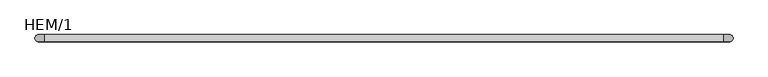
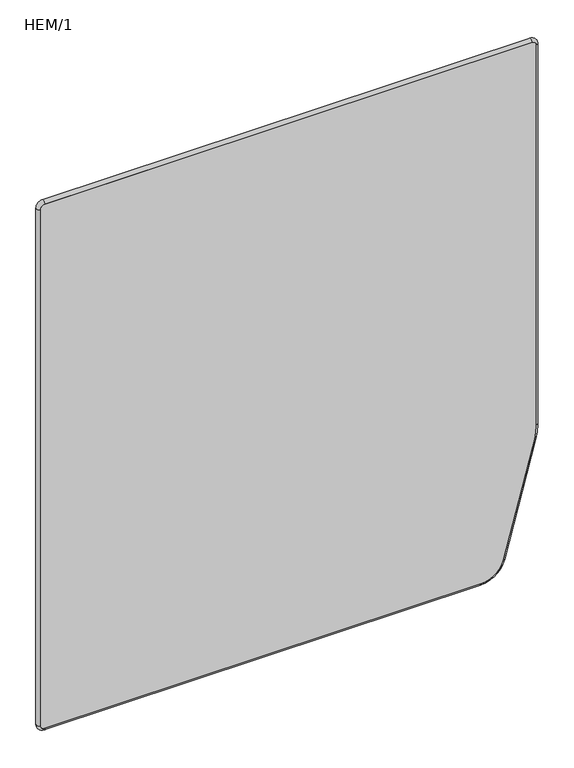
"""IFC4 building model written with IfcOpenShell, lengths in millimetres: furniture geometry, HEM/1."""

from ifc_helpers import new_model, si_unit, point, frame, frame_2d, origin, place, context, project, spatial, polyline, circle_curve, ellipse_curve, trimmed, segment, composite_curve, outline, extrude, source, transform, mapped, element, save
from ifc_brep_helpers import plane_surface, cylinder_surface, revolved_surface, advanced_brep


def hem_1_c6440265(model_context):
    return source(origin(), model_context, "Body", "SolidModel", [
        advanced_brep(
        [(-1485.4508983, 0.0, 1299.6639468), (-1485.4508983, -12.0, 1299.6639468), (-1475.4508983, -12.0, 1309.6639468), (-1475.4508983, 0.0, 1309.6639468), (-1485.4508983, 0.0, 14.527165), (-1485.4508983, -12.0, 14.527165), (-1475.4508983, 0.0, 4.527165), (-1475.4508983, -12.0, 4.527165), (-447.5918307, 0.0, 4.527165), (-447.5918307, -12.0, 4.527165), (-394.4659102, 0.0, 45.2921175), (-394.4659102, -12.0, 45.2921175), (-320.8805409, 0.0, 319.9164544), (-320.8805409, -12.0, 319.9164544), (-316.4508983, 0.0, 353.5629303), (-316.4508983, -12.0, 353.5629303), (-316.4508983, 0.0, 1299.6639468), (-316.4508983, -12.0, 1299.6639468), (-326.4508983, 0.0, 1309.6639468), (-326.4508983, -12.0, 1309.6639468)],
        [
            (0, 1, circle_curve(frame((-1485.4508983, -6.0, 1299.6639468), z_axis=(0.0, 0.0, 1.0), x_axis=(0.0, 1.0, 0.0)), 6.0)),
            (1, 2, circle_curve(frame((-1475.4508983, -12.0, 1299.6639468), z_axis=(0.0, 1.0, 0.0), x_axis=(0.0, 0.0, 1.0)), 10.0)),
            (2, 3, circle_curve(frame((-1475.4508983, -6.0, 1309.6639468), z_axis=(-1.0, 0.0, 0.0), x_axis=(0.0, 1.0, 0.0)), 6.0)),
            (3, 0, circle_curve(frame((-1475.4508983, 0.0, 1299.6639468), z_axis=(0.0, -1.0, 0.0), x_axis=(0.0, 0.0, 1.0)), 10.0)),
            (1, 0),
            (3, 2),
            (0, 4),
            (4, 5, circle_curve(frame((-1485.4508983, -6.0, 14.527165), z_axis=(0.0, 0.0, 1.0), x_axis=(0.0, 1.0, 0.0)), 6.0)),
            (5, 1),
            (5, 4),
            (6, 7, circle_curve(frame((-1475.4508983, -6.0, 4.527165), z_axis=(-1.0, 0.0, 0.0), x_axis=(0.0, 1.0, 0.0)), 6.0)),
            (7, 5, circle_curve(frame((-1475.4508983, -12.0, 14.527165), z_axis=(0.0, 1.0, 0.0), x_axis=(-1.0, 0.0, 0.0)), 10.0)),
            (4, 6, circle_curve(frame((-1475.4508983, 0.0, 14.527165), z_axis=(0.0, -1.0, 0.0), x_axis=(-1.0, 0.0, 0.0)), 10.0)),
            (7, 6),
            (6, 8),
            (8, 9, circle_curve(frame((-447.5918307, -6.0, 4.527165), z_axis=(-1.0, 0.0, 0.0), x_axis=(0.0, 1.0, 0.0)), 6.0)),
            (9, 7),
            (9, 8),
            (10, 11, circle_curve(frame((-394.4659102, -6.0, 45.2921175), z_axis=(-0.2588190451025264, 0.0, -0.9659258262890668), x_axis=(0.0, 1.0, 0.0)), 6.0)),
            (11, 9, circle_curve(frame((-447.5918307, -12.0, 59.527165), z_axis=(0.0, 1.0, 0.0), x_axis=(0.0, 0.0, -1.0)), 55.0)),
            (8, 10, circle_curve(frame((-447.5918307, 0.0, 59.527165), z_axis=(0.0, -1.0, 0.0), x_axis=(0.0, 0.0, -1.0)), 55.0)),
            (11, 10),
            (10, 12),
            (12, 13, circle_curve(frame((-320.8805409, -6.0, 319.9164544), z_axis=(-0.25881904510252196, 0.0, -0.965925826289068), x_axis=(0.0, 1.0, 0.0)), 6.0)),
            (13, 11),
            (13, 12),
            (14, 15, circle_curve(frame((-316.4508983, -6.0, 353.5629303), z_axis=(0.0, 0.0, -0.9999999999999999), x_axis=(0.0, 1.0, 0.0)), 6.0)),
            (15, 13, circle_curve(frame((-446.4508983, -12.0, 353.5629303), z_axis=(0.0, 1.0, 0.0), x_axis=(0.9659258262890662, 0.0, -0.2588190451025284)), 130.0)),
            (12, 14, circle_curve(frame((-446.4508983, 0.0, 353.5629303), z_axis=(0.0, -1.0, 0.0), x_axis=(0.9659258262890662, 0.0, -0.2588190451025284)), 130.0)),
            (15, 14),
            (14, 16),
            (16, 17, circle_curve(frame((-316.4508983, -6.0, 1299.6639468), z_axis=(0.0, 0.0, -1.0), x_axis=(0.0, 1.0, 0.0)), 6.0)),
            (17, 15),
            (17, 16),
            (18, 19, circle_curve(frame((-326.4508983, -6.0, 1309.6639468), z_axis=(1.0, 0.0, 0.0), x_axis=(0.0, 1.0, 0.0)), 6.0)),
            (19, 17, circle_curve(frame((-326.4508983, -12.0, 1299.6639468), z_axis=(0.0, 1.0, 0.0), x_axis=(1.0, 0.0, 0.0)), 10.0)),
            (16, 18, circle_curve(frame((-326.4508983, 0.0, 1299.6639468), z_axis=(0.0, -1.0, 0.0), x_axis=(1.0, 0.0, 0.0)), 10.0)),
            (19, 18),
            (18, 3),
            (2, 19),
        ],
        [
            revolved_surface(trimmed(ellipse_curve(frame((-1475.4508983, -6.0, 1309.6639468), z_axis=(-1.0, 0.0, 0.0), x_axis=(0.0, 1.0, 0.0)), 6.0, 6.0), [point((-1475.4508983, -12.0, 1309.6639468))], [point((-1475.4508983, 0.0, 1309.6639468))], True, "CARTESIAN"), (-1475.4508983, 0.0, 1299.6639468), (0.0, 1.0, 0.0)),
            revolved_surface(polyline([(-1475.4508983, 0.0, 1309.6639468), (-1475.4508983, -12.0, 1309.6639468)]), (-1475.4508983, 0.0, 1299.6639468), (0.0, 1.0, 0.0)),
            cylinder_surface(frame((-1485.4508983, -6.0, 1299.6639468), z_axis=(0.0, 0.0, 1.0), x_axis=(0.0, 1.0, 0.0)), 6.0),
            plane_surface(frame((-1485.4508983, 0.0, 1299.6639468), z_axis=(1.0, 0.0, 0.0), x_axis=(0.0, 0.0, -1.0))),
            revolved_surface(trimmed(ellipse_curve(frame((-1485.4508983, -6.0, 14.527165), z_axis=(0.0, 0.0, -1.0), x_axis=(0.0, 1.0, 0.0)), 6.0, 6.0), [point((-1485.4508983, -12.0, 14.527165))], [point((-1485.4508983, 0.0, 14.527165))], True, "CARTESIAN"), (-1475.4508983, 0.0, 14.527165), (0.0, 1.0, 0.0)),
            revolved_surface(polyline([(-1485.4508983, 0.0, 14.527165), (-1485.4508983, -12.0, 14.527165)]), (-1475.4508983, 0.0, 14.527165), (0.0, 1.0, 0.0)),
            cylinder_surface(frame((-1475.4508983, -6.0, 4.527165), z_axis=(-1.0, 0.0, 0.0), x_axis=(0.0, 1.0, 0.0)), 6.0),
            plane_surface(frame((-1475.4508983, 0.0, 4.527165), z_axis=(0.0, 0.0, 1.0), x_axis=(1.0, 0.0, 0.0))),
            revolved_surface(trimmed(ellipse_curve(frame((-447.5918307, -6.0, 4.527165), z_axis=(1.0, 0.0, 0.0), x_axis=(0.0, 1.0, 0.0)), 6.0, 6.0), [point((-447.5918307, -12.0, 4.527165))], [point((-447.5918307, 0.0, 4.527165))], True, "CARTESIAN"), (-447.5918307, 0.0, 59.527165), (0.0, 1.0, 0.0)),
            revolved_surface(polyline([(-447.5918307, 0.0, 4.5271649999999966), (-447.5918307, -12.0, 4.5271649999999966)]), (-447.5918307, 0.0, 59.527165), (0.0, 1.0, 0.0)),
            cylinder_surface(frame((-394.4659102, -6.0, 45.2921175), z_axis=(-0.25881904510252196, 0.0, -0.965925826289068), x_axis=(0.0, 1.0, 0.0)), 6.0),
            plane_surface(frame((-394.4659102, 0.0, 45.2921175), z_axis=(-0.965925826289068, 0.0, 0.2588190451025219), x_axis=(0.2588190451025219, 0.0, 0.965925826289068))),
            revolved_surface(trimmed(ellipse_curve(frame((-320.8805409, -6.0, 319.9164544), z_axis=(0.258819045102528, 0.0, 0.9659258262890663), x_axis=(0.0, 1.0, 0.0)), 6.0, 6.0), [point((-320.8805409, -12.0, 319.9164544))], [point((-320.8805409, 0.0, 319.9164544))], True, "CARTESIAN"), (-446.4508983, 0.0, 353.5629303), (0.0, 1.0, 0.0)),
            revolved_surface(polyline([(-320.8805408824214, 0.0, 319.9164544366713), (-320.8805408824214, -12.0, 319.9164544366713)]), (-446.4508983, 0.0, 353.5629303), (0.0, 1.0, 0.0)),
            cylinder_surface(frame((-316.4508983, -6.0, 353.5629303), z_axis=(0.0, 0.0, -1.0), x_axis=(0.0, 1.0, 0.0)), 6.0),
            plane_surface(frame((-316.4508983, 0.0, 353.5629303), z_axis=(-1.0, 0.0, 0.0), x_axis=(0.0, 0.0, 1.0))),
            revolved_surface(trimmed(ellipse_curve(frame((-316.4508983, -6.0, 1299.6639468), z_axis=(0.0, 0.0, 1.0), x_axis=(0.0, 1.0, 0.0)), 6.0, 6.0), [point((-316.4508983, -12.0, 1299.6639468))], [point((-316.4508983, 0.0, 1299.6639468))], True, "CARTESIAN"), (-326.4508983, 0.0, 1299.6639468), (0.0, 1.0, 0.0)),
            revolved_surface(polyline([(-316.4508983, 0.0, 1299.6639468), (-316.4508983, -12.0, 1299.6639468)]), (-326.4508983, 0.0, 1299.6639468), (0.0, 1.0, 0.0)),
            cylinder_surface(frame((-326.4508983, -6.0, 1309.6639468), z_axis=(1.0, 0.0, 0.0), x_axis=(0.0, 1.0, 0.0)), 6.0),
            plane_surface(frame((-326.4508983, 0.0, 1309.6639468), z_axis=(0.0, 0.0, -1.0), x_axis=(-1.0, 0.0, 0.0))),
        ],
        [
            (0, [[1, 2, 3, 4]]),
            (1, [[5, -4, 6, -2]]),
            (2, [[7, 8, 9, -1]]),
            (3, [[-9, 10, -7, -5]]),
            (4, [[11, 12, -8, 13]]),
            (5, [[14, -13, -10, -12]]),
            (6, [[15, 16, 17, -11]]),
            (7, [[-17, 18, -15, -14]]),
            (8, [[19, 20, -16, 21]]),
            (9, [[22, -21, -18, -20]]),
            (10, [[23, 24, 25, -19]]),
            (11, [[-25, 26, -23, -22]]),
            (12, [[27, 28, -24, 29]]),
            (13, [[30, -29, -26, -28]]),
            (14, [[31, 32, 33, -27]]),
            (15, [[-33, 34, -31, -30]]),
            (16, [[35, 36, -32, 37]]),
            (17, [[38, -37, -34, -36]]),
            (18, [[39, -3, 40, -35]]),
            (19, [[-40, -6, -39, -38]]),
        ],
    ),
        extrude(outline(composite_curve([segment(trimmed(circle_curve(frame_2d((14.527165, -1475.4508983)), 10.0), [point((14.527165, -1485.4508983))], [point((4.527165, -1475.4508983))], False, "CARTESIAN"), True, "CONTINUOUS"), segment(polyline([(4.527165, -1475.4508983), (4.527165, -447.5918307)]), True, "CONTINUOUS"), segment(trimmed(circle_curve(frame_2d((59.527165, -447.5918307)), 55.0), [point((4.527165, -447.5918307))], [point((45.2921175, -394.4659102))], False, "CARTESIAN"), True, "CONTINUOUS"), segment(polyline([(45.2921175, -394.4659102), (319.9164544, -320.8805409)]), True, "CONTINUOUS"), segment(trimmed(circle_curve(frame_2d((353.5629303, -446.4508983)), 130.0), [point((319.9164544, -320.8805409))], [point((353.5629303, -316.4508983))], False, "CARTESIAN"), True, "CONTINUOUS"), segment(polyline([(353.5629303, -316.4508983), (1299.6639468, -316.4508983)]), True, "CONTINUOUS"), segment(trimmed(circle_curve(frame_2d((1299.6639468, -326.4508983)), 10.0), [point((1299.6639468, -316.4508983))], [point((1309.6639468, -326.4508983))], False, "CARTESIAN"), True, "CONTINUOUS"), segment(polyline([(1309.6639468, -326.4508983), (1309.6639468, -1475.4508983)]), True, "CONTINUOUS"), segment(trimmed(circle_curve(frame_2d((1299.6639468, -1475.4508983)), 10.0), [point((1309.6639468, -1475.4508983))], [point((1299.6639468, -1485.4508983))], False, "CARTESIAN"), True, "CONTINUOUS"), segment(polyline([(1299.6639468, -1485.4508983), (14.527165, -1485.4508983)]), True, "CONTINUOUS")], self_intersect=False)), frame((0.0, -12.0, 0.0), z_axis=(0.0, 1.0, 0.0), x_axis=(0.0, 0.0, 1.0)), (0.0, 0.0, 1.0), 12.0),
    ])


if __name__ == "__main__":
    model = new_model("IFC4")
    model_context = context("Model", 3, world=origin())
    ifc_project = project(units=[si_unit("LENGTHUNIT", "METRE", prefix="MILLI")], contexts=[model_context])
    site = spatial("IfcSite", under=ifc_project)
    building = spatial("IfcBuilding", under=site)
    placement = place(None, origin())
    hem_1_shape = hem_1_c6440265(model_context)
    element("IfcFurniture", 1, ObjectType="HEM/1", at=placement, inside=building, context=model_context, shape_type="MappedRepresentation", body=[
        mapped(hem_1_shape, transform((0.0, 0.0, 0.0), x_axis=(1.0, 0.0, 0.0), y_axis=(0.0, 1.0, 0.0), z_axis=(0.0, 0.0, 1.0))),
    ])
    save(model, "model.ifc")
